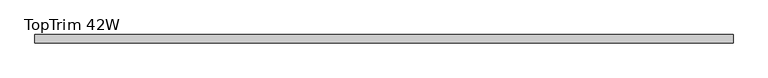
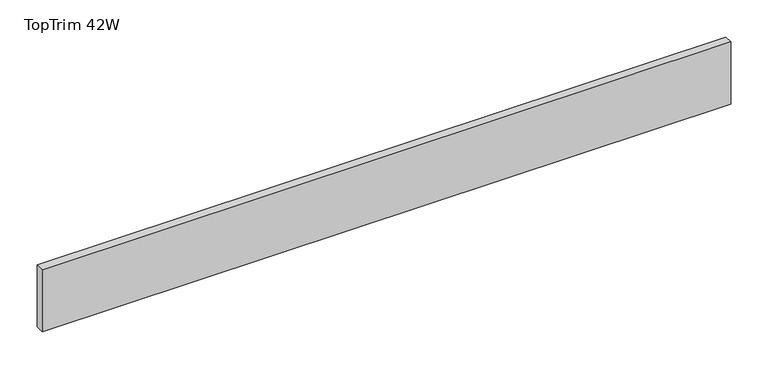
"""IFC4 building model written with IfcOpenShell, lengths in millimetres: furniture geometry, TopTrim 42W."""

from ifc_helpers import new_model, si_unit, frame, origin, place, context, project, spatial, polyline, outline, extrude, source, transform, mapped, element, save


def toptrim_42w_bc285f91(model_context):
    return source(origin(), model_context, "Body", "SweptSolid", [
        extrude(outline(polyline([(0.0, -50.8000015), (0.0, -38.1), (1066.8, -38.1), (1066.8, -50.8000015), (0.0, -50.8000015)])), frame((0.0, 0.0, 2184.4), z_axis=(0.0, 0.0, 1.0), x_axis=(1.0, 0.0, 0.0)), (0.0, 0.0, 1.0), 101.600003),
    ])


if __name__ == "__main__":
    model = new_model("IFC4")
    model_context = context("Model", 3, world=origin())
    ifc_project = project(units=[si_unit("LENGTHUNIT", "METRE", prefix="MILLI")], contexts=[model_context])
    site = spatial("IfcSite", under=ifc_project)
    building = spatial("IfcBuilding", under=site)
    placement = place(None, origin())
    toptrim_42w_shape = toptrim_42w_bc285f91(model_context)
    element("IfcFurniture", 1, ObjectType="TopTrim 42W", at=placement, inside=building, context=model_context, shape_type="MappedRepresentation", body=[
        mapped(toptrim_42w_shape, transform((0.0, 0.0, 0.0), x_axis=(1.0, 0.0, 0.0), y_axis=(0.0, 1.0, 0.0), z_axis=(0.0, 0.0, 1.0))),
    ])
    save(model, "model.ifc")
